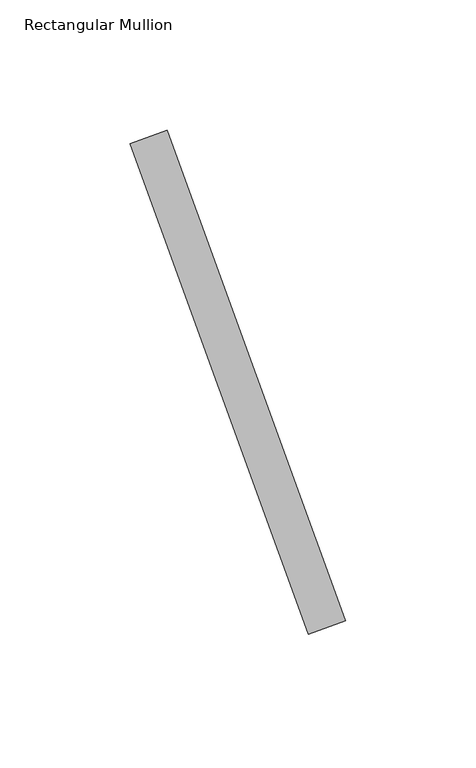
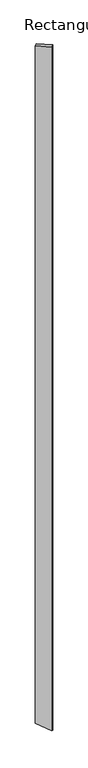
"""IFC4 building model written with IfcOpenShell, lengths in millimetres: member geometry, Rectangular Mullion."""

from ifc_helpers import new_model, si_unit, origin, place, context, project, spatial, faceted_brep, source, transform, mapped, element, save


def rectangular_mullion_93390ee1(model_context):
    return source(origin(), model_context, "Body", "Brep", [
        faceted_brep([(3.0980396, -52.36886, -7696.1504626), (17.193429, -47.2385578, -7696.1504626), (85.5974576, -235.177082, -7696.1504626), (71.5020683, -240.3073841, -7696.1504626), (17.193429, -47.2385578, 19.2952832), (85.5974576, -235.177082, 96.0615354), (71.5020683, -240.3073841, 80.2430196), (3.0980396, -52.36886, 3.4767673)], [[[0, 1, 2, 3]], [[4, 5, 2, 1]], [[6, 7, 0, 3]], [[5, 6, 3, 2]], [[7, 4, 1, 0]], [[7, 6, 5, 4]]]),
    ])


if __name__ == "__main__":
    model = new_model("IFC4")
    model_context = context("Model", 3, world=origin())
    ifc_project = project(units=[si_unit("LENGTHUNIT", "METRE", prefix="MILLI")], contexts=[model_context])
    site = spatial("IfcSite", under=ifc_project)
    building = spatial("IfcBuilding", under=site)
    placement = place(None, origin())
    rectangular_mullion_shape = rectangular_mullion_93390ee1(model_context)
    element("IfcMember", 1, ObjectType="Rectangular Mullion", at=placement, inside=building, context=model_context, shape_type="MappedRepresentation", body=[
        mapped(rectangular_mullion_shape, transform((0.0, 0.0, 0.0), x_axis=(1.0, 0.0, 0.0), y_axis=(0.0, 1.0, 0.0), z_axis=(0.0, 0.0, 1.0))),
    ])
    save(model, "model.ifc")
